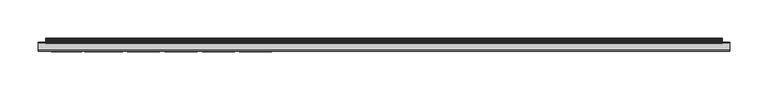
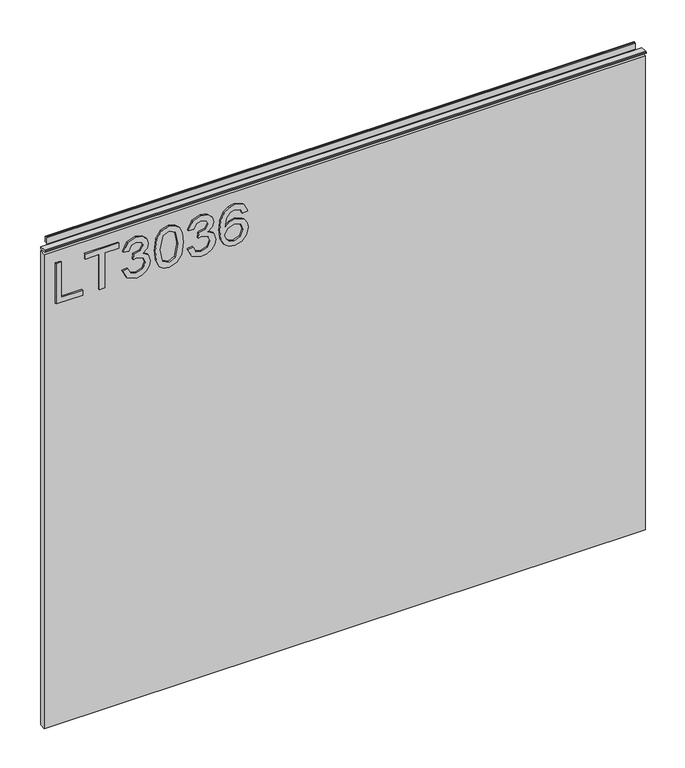
"""IFC4 building model written with IfcOpenShell, lengths in millimetres: furniture geometry."""

from ifc_helpers import new_model, si_unit, frame, origin, place, context, project, spatial, polyline, outline, extrude, source, transform, mapped, element, save


def furniture_07e66210(model_context):
    return source(origin(), model_context, "Body", "SweptSolid", [
        extrude(outline(polyline([(773.6078, -281.6939953), (773.6078, -241.8253972), (781.5815196, -241.8253972), (781.5815196, -273.7202757), (837.3975569, -273.7202757), (837.3975569, -281.6939953), (773.6078, -281.6939953)])), frame((0.0, -5.4626842, 0.0), z_axis=(0.0, 1.0, 0.0), x_axis=(0.0, 0.0, 1.0)), (0.0, 0.0, 1.0), 2.38125),
        extrude(outline(polyline([(773.6078, -216.9075234), (773.6078, -208.9338038), (829.4238373, -208.9338038), (829.4238373, -188.0027898), (837.3975569, -188.0027898), (837.3975569, -237.8385374), (829.4238373, -237.8385374), (829.4238373, -216.9075234), (773.6078, -216.9075234)])), frame((0.0, -5.4626842, 0.0), z_axis=(0.0, 1.0, 0.0), x_axis=(0.0, 0.0, 1.0)), (0.0, 0.0, 1.0), 2.38125),
        extrude(outline(polyline([(790.5519542, -182.0225001), (777.6102335, -175.684016), (772.611085, -161.6988593), (774.0750101, -153.1761678), (778.4667854, -146.2653512), (784.9610063, -141.6866919), (792.7322681, -140.1604721), (803.1043331, -143.2129117), (808.555118, -151.9030201), (813.8345925, -145.3620783), (821.1853653, -143.150617), (829.2291664, -145.4788808), (835.2094562, -152.2067067), (837.3975569, -161.8234487), (832.9590607, -174.500417), (820.4534028, -181.0257852), (819.4566878, -173.0520655), (826.9320499, -169.1430741), (829.4238373, -161.5431226), (826.9554105, -154.0366131), (820.7181552, -151.1243366), (813.6788558, -155.1423437), (811.4829682, -165.4676877), (803.5092486, -166.355387), (804.3813742, -160.764439), (801.11869, -151.7005624), (792.8724312, -148.1341917), (784.120028, -151.7317098), (780.5848047, -161.4185332), (783.1544604, -169.6492184), (791.5486691, -174.0487805), (790.5519542, -182.0225001)])), frame((0.0, -5.4626842, 0.0), z_axis=(0.0, 1.0, 0.0), x_axis=(0.0, 0.0, 1.0)), (0.0, 0.0, 1.0), 2.38125),
        extrude(outline(polyline([(804.9887473, -133.1834674), (789.4734775, -131.594953), (778.6848168, -126.8294096), (774.129518, -120.5376465), (772.611085, -112.2524534), (776.1073742, -100.5799869), (786.7130443, -93.6419164), (804.9887473, -91.3214395), (819.9784058, -92.7697909), (829.4160505, -96.5074719), (835.3418324, -102.9393981), (837.3975569, -112.2524534), (833.9246283, -123.8781989), (823.3423188, -130.8396299), (804.9887473, -133.1834674)]), holes=[polyline([(805.004321, -125.2097478), (825.1566514, -121.3474774), (829.4238373, -112.3458955), (824.5804256, -102.9082508), (805.004321, -99.2951591), (785.2179718, -103.0328401), (780.5848047, -112.2524534), (785.2023982, -121.4720668), (805.004321, -125.2097478)])]), frame((0.0, -5.4626842, 0.0), z_axis=(0.0, 1.0, 0.0), x_axis=(0.0, 0.0, 1.0)), (0.0, 0.0, 1.0), 2.38125),
        extrude(outline(polyline([(790.5519542, -84.3444348), (777.6102335, -78.0059506), (772.611085, -64.020794), (774.0750101, -55.4981024), (778.4667854, -48.5872859), (784.9610063, -44.0086266), (792.7322681, -42.4824068), (803.1043331, -45.5348463), (808.555118, -54.2249548), (813.8345925, -47.6840129), (821.1853653, -45.4725516), (829.2291664, -47.8008155), (835.2094562, -54.5286414), (837.3975569, -64.1453833), (832.9590607, -76.8223516), (820.4534028, -83.3477198), (819.4566878, -75.3740002), (826.9320499, -71.4650088), (829.4238373, -63.8650573), (826.9554105, -56.3585478), (820.7181552, -53.4462713), (813.6788558, -57.4642784), (811.4829682, -67.7896224), (803.5092486, -68.6773216), (804.3813742, -63.0863737), (801.11869, -54.0224971), (792.8724312, -50.4561264), (784.120028, -54.0536444), (780.5848047, -63.7404679), (783.1544604, -71.9711531), (791.5486691, -76.3707152), (790.5519542, -84.3444348)])), frame((0.0, -5.4626842, 0.0), z_axis=(0.0, 1.0, 0.0), x_axis=(0.0, 0.0, 1.0)), (0.0, 0.0, 1.0), 2.38125),
        extrude(outline(polyline([(820.4534028, 5.3599109), (832.896766, -0.5269368), (837.3975569, -13.1260367), (835.5793308, -22.3806908), (830.1246525, -29.5251124), (819.2659103, -34.7578659), (803.3846592, -36.5021171), (789.2593395, -34.931123), (779.7749738, -30.2181408), (774.4020572, -23.0133712), (772.611085, -13.967015), (775.313117, -3.5170816), (783.0999526, 3.7246754), (794.1027512, 6.3566259), (802.2750351, 4.9588889), (808.7887231, 0.7656779), (814.473113, -12.7834159), (812.3940279, -21.4968849), (806.0321833, -28.5283975), (820.2431582, -26.2624283), (827.4927021, -20.8194302), (829.4238373, -13.6243942), (826.1066454, -5.6351009), (819.4566878, -2.6138087), (820.4534028, 5.3599109)]), holes=[polyline([(794.2273406, -28.5283975), (803.11212, -24.5648982), (806.4993934, -14.9170089), (803.11212, -5.1445303), (793.8379988, -1.6170937), (784.1511754, -5.1912513), (780.5848047, -14.5899618), (782.3056953, -21.777211), (787.3204174, -26.6829174), (794.2273406, -28.5283975)])]), frame((0.0, -5.4626842, 0.0), z_axis=(0.0, 1.0, 0.0), x_axis=(0.0, 0.0, 1.0)), (0.0, 0.0, 1.0), 2.38125),
        extrude(outline(polyline([(5.5562561, 863.6), (6.3500061, 863.6), (6.3500061, 873.47425), (7.1437561, 874.268), (8.6677569, 874.268), (10.0084363, 873.8506926), (10.875413, 872.7461816), (10.9623604, 871.3447591), (10.2390011, 868.3863459), (10.4046103, 867.1833307), (11.6746103, 864.9836103), (10.7786383, 864.4663244), (7.1437561, 864.4663244), (7.1437561, 863.6), (6.3500061, 863.3669239), (6.3500061, 856.1578), (5.5562561, 856.1578), (5.5562561, 863.6)])), frame((-288.671, 0.0, 0.0), z_axis=(1.0, 0.0, 0.0), x_axis=(0.0, 1.0, 0.0)), (0.0, 0.0, 1.0), 882.142),
        extrude(outline(polyline([(5.5562561, 863.6), (5.5562561, 860.4249996), (-3.975094, 860.4249996), (-5.3492339, 861.2183657), (-5.3492339, 862.8066395), (-3.9751037, 863.6), (5.5562561, 863.6)])), frame((-298.196, 0.0, 0.0), z_axis=(1.0, 0.0, 0.0), x_axis=(0.0, 1.0, 0.0)), (0.0, 0.0, 1.0), 901.192),
        extrude(outline(polyline([(602.996, 6.3500061), (602.996, -3.1749939), (-298.196, -3.1749939), (-298.196, 6.3500061), (602.996, 6.3500061)])), frame((0.0, 0.0, 104.69626), z_axis=(0.0, 0.0, 1.0), x_axis=(1.0, 0.0, 0.0)), (0.0, 0.0, 1.0), 751.46154),
    ])


if __name__ == "__main__":
    model = new_model("IFC4")
    model_context = context("Model", 3, world=origin())
    ifc_project = project(units=[si_unit("LENGTHUNIT", "METRE", prefix="MILLI")], contexts=[model_context])
    site = spatial("IfcSite", under=ifc_project)
    building = spatial("IfcBuilding", under=site)
    placement = place(None, origin())
    furniture_shape = furniture_07e66210(model_context)
    element("IfcFurniture", 1, at=placement, inside=building, context=model_context, shape_type="MappedRepresentation", body=[
        mapped(furniture_shape, transform((0.0, 0.0, 0.0), x_axis=(1.0, 0.0, 0.0), y_axis=(0.0, 1.0, 0.0), z_axis=(0.0, 0.0, 1.0))),
    ])
    save(model, "model.ifc")
